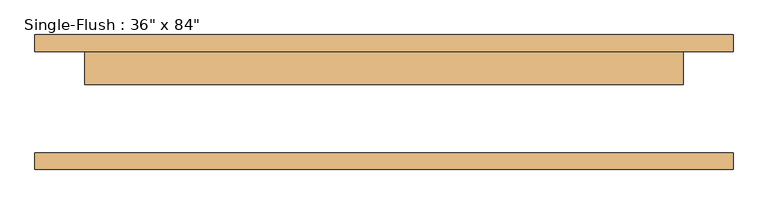
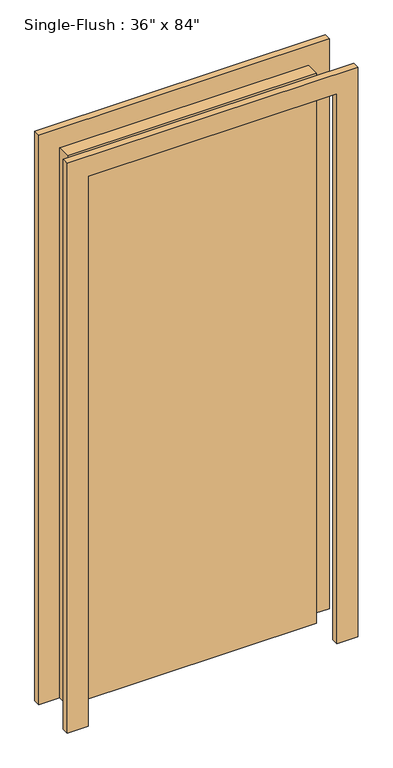
"""IFC4 building model written with IfcOpenShell, lengths in millimetres: door geometry."""

from ifc_helpers import new_model, si_unit, frame, origin, origin_with_axes, place, context, project, spatial, polyline, outline, extrude, source, transform, mapped, element, save


def door_f9494b7c(model_context):
    return source(origin(), model_context, "Body", "SweptSolid", [
        extrude(outline(polyline([(2209.8, -533.4), (0.0, -533.4), (0.0, -457.2), (2133.6, -457.2), (2133.6, 457.2), (0.0, 457.2), (0.0, 533.4), (2209.8, 533.4), (2209.8, -533.4)])), frame((0.0, 77.7875, 0.0), z_axis=(0.0, 1.0, 0.0), x_axis=(0.0, 0.0, 1.0)), (0.0, 0.0, 1.0), 25.4),
        extrude(outline(polyline([(2209.8, 533.4), (2209.8, -533.4), (0.0, -533.4), (0.0, -457.2), (2133.6, -457.2), (2133.6, 457.2), (0.0, 457.2), (0.0, 533.4), (2209.8, 533.4)])), frame((0.0, -103.1875, 0.0), z_axis=(0.0, 1.0, 0.0), x_axis=(0.0, 0.0, 1.0)), (0.0, 0.0, 1.0), 25.4),
        extrude(outline(polyline([(457.2, 26.9875), (-457.2, 26.9875), (-457.2, 77.7875), (457.2, 77.7875), (457.2, 26.9875)])), origin_with_axes(), (0.0, 0.0, 1.0), 2133.6),
    ])


if __name__ == "__main__":
    model = new_model("IFC4")
    model_context = context("Model", 3, world=origin())
    ifc_project = project(units=[si_unit("LENGTHUNIT", "METRE", prefix="MILLI")], contexts=[model_context])
    site = spatial("IfcSite", under=ifc_project)
    building = spatial("IfcBuilding", under=site)
    placement = place(None, origin())
    door_shape = door_f9494b7c(model_context)
    element("IfcDoor", 1, ObjectType="Single-Flush : 36\" x 84\"", at=placement, inside=building, context=model_context, shape_type="MappedRepresentation", body=[
        mapped(door_shape, transform((0.0, 0.0, 0.0), x_axis=(1.0, 0.0, 0.0), y_axis=(0.0, 1.0, 0.0), z_axis=(0.0, 0.0, 1.0))),
    ])
    save(model, "model.ifc")
